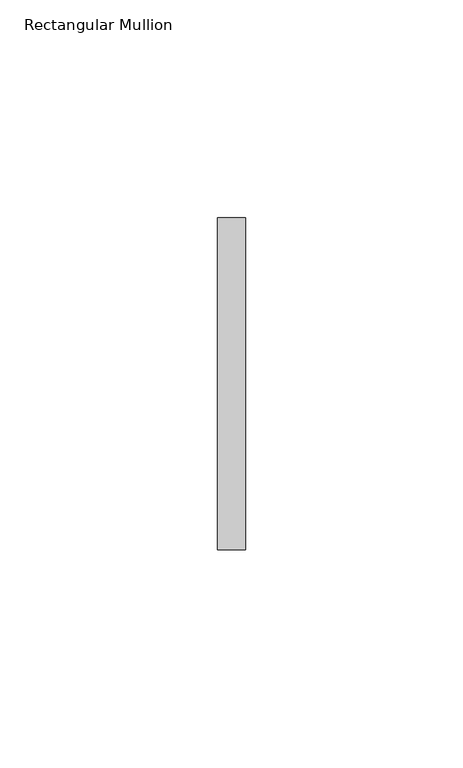
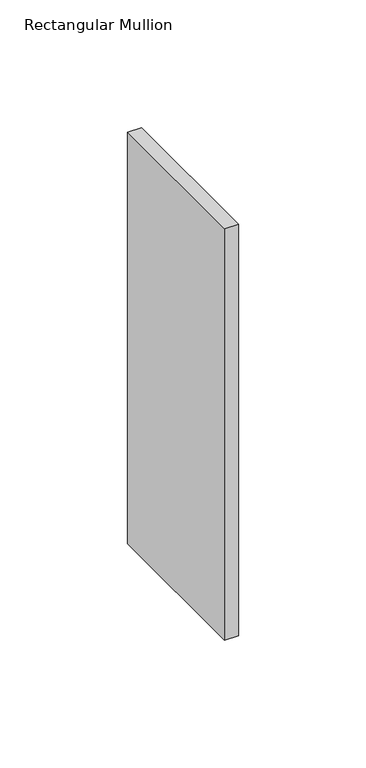
"""IFC4 building model written with IfcOpenShell, lengths in millimetres: member geometry, Rectangular Mullion."""

from ifc_helpers import new_model, si_unit, frame, origin, place, context, project, spatial, polyline, outline, extrude, source, transform, mapped, element, save


def rectangular_mullion_fdfcba4f(model_context):
    return source(origin(), model_context, "Body", "SweptSolid", [
        extrude(outline(polyline([(0.0, 38.1), (0.0, -38.1), (-6.35, -38.1), (-6.35, 38.1), (0.0, 38.1)])), frame((0.0, 0.0, -196.8499997), z_axis=(0.0, 0.0, 1.0), x_axis=(1.0, 0.0, 0.0)), (0.0, 0.0, 1.0), 196.8499997),
    ])


if __name__ == "__main__":
    model = new_model("IFC4")
    model_context = context("Model", 3, world=origin())
    ifc_project = project(units=[si_unit("LENGTHUNIT", "METRE", prefix="MILLI")], contexts=[model_context])
    site = spatial("IfcSite", under=ifc_project)
    building = spatial("IfcBuilding", under=site)
    placement = place(None, origin())
    rectangular_mullion_shape = rectangular_mullion_fdfcba4f(model_context)
    element("IfcMember", 1, ObjectType="Rectangular Mullion", at=placement, inside=building, context=model_context, shape_type="MappedRepresentation", body=[
        mapped(rectangular_mullion_shape, transform((0.0, 0.0, 0.0), x_axis=(1.0, 0.0, 0.0), y_axis=(0.0, 1.0, 0.0), z_axis=(0.0, 0.0, 1.0))),
    ])
    save(model, "model.ifc")
